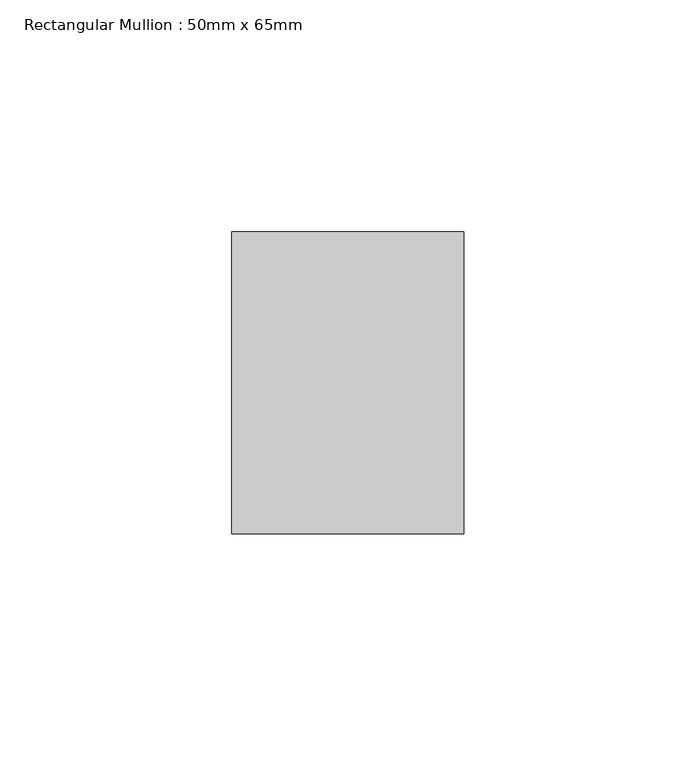
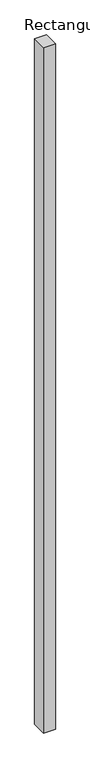
"""IFC4 building model written with IfcOpenShell, lengths in millimetres: member geometry, Rectangular Mullion : 50mm x 65mm."""

from ifc_helpers import new_model, si_unit, frame, origin, place, context, project, spatial, polyline, outline, extrude, source, transform, mapped, element, save


def rectangular_mullion_50mm_x_65mm_acd49ea2(model_context):
    return source(origin(), model_context, "Body", "SweptSolid", [
        extrude(outline(polyline([(25.0, 32.5), (25.0, -32.5), (-25.0, -32.5), (-25.0, 32.5), (25.0, 32.5)])), frame((0.0, 0.0, -3078.7108522), z_axis=(0.0, 0.0, 1.0), x_axis=(1.0, 0.0, 0.0)), (0.0, 0.0, 1.0), 3078.7108522),
    ])


if __name__ == "__main__":
    model = new_model("IFC4")
    model_context = context("Model", 3, world=origin())
    ifc_project = project(units=[si_unit("LENGTHUNIT", "METRE", prefix="MILLI")], contexts=[model_context])
    site = spatial("IfcSite", under=ifc_project)
    building = spatial("IfcBuilding", under=site)
    placement = place(None, origin())
    rectangular_mullion_50mm_x_65mm_shape = rectangular_mullion_50mm_x_65mm_acd49ea2(model_context)
    element("IfcMember", 1, ObjectType="Rectangular Mullion : 50mm x 65mm", at=placement, inside=building, context=model_context, shape_type="MappedRepresentation", body=[
        mapped(rectangular_mullion_50mm_x_65mm_shape, transform((0.0, 0.0, 0.0), x_axis=(1.0, 0.0, 0.0), y_axis=(0.0, 1.0, 0.0), z_axis=(0.0, 0.0, 1.0))),
    ])
    save(model, "model.ifc")
